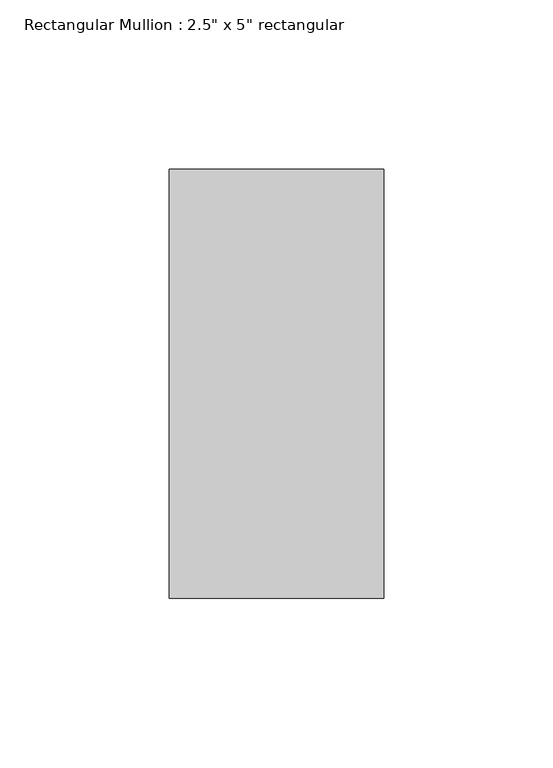
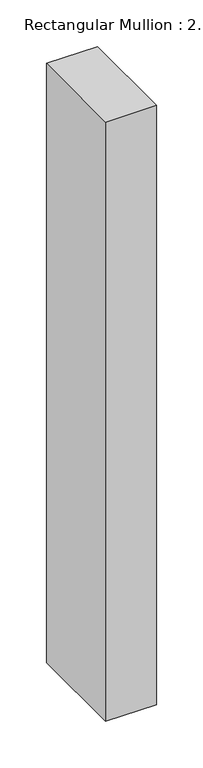
"""IFC4 building model written with IfcOpenShell, lengths in millimetres: member geometry."""

from ifc_helpers import new_model, si_unit, frame, origin, place, context, project, spatial, polyline, outline, extrude, source, transform, mapped, element, save


def member_8677ef3f(model_context):
    return source(origin(), model_context, "Body", "SweptSolid", [
        extrude(outline(polyline([(31.75, 63.5), (31.75, -63.5), (-31.75, -63.5), (-31.75, 63.5), (31.75, 63.5)])), frame((0.0, 0.0, -785.9909269), z_axis=(0.0, 0.0, 1.0), x_axis=(1.0, 0.0, 0.0)), (0.0, 0.0, 1.0), 785.9909269),
    ])


if __name__ == "__main__":
    model = new_model("IFC4")
    model_context = context("Model", 3, world=origin())
    ifc_project = project(units=[si_unit("LENGTHUNIT", "METRE", prefix="MILLI")], contexts=[model_context])
    site = spatial("IfcSite", under=ifc_project)
    building = spatial("IfcBuilding", under=site)
    placement = place(None, origin())
    member_shape = member_8677ef3f(model_context)
    element("IfcMember", 1, ObjectType="Rectangular Mullion : 2.5\" x 5\" rectangular", at=placement, inside=building, context=model_context, shape_type="MappedRepresentation", body=[
        mapped(member_shape, transform((0.0, 0.0, 0.0), x_axis=(1.0, 0.0, 0.0), y_axis=(0.0, 1.0, 0.0), z_axis=(0.0, 0.0, 1.0))),
    ])
    save(model, "model.ifc")
